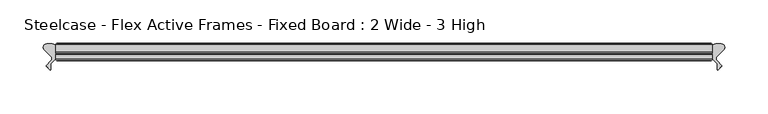
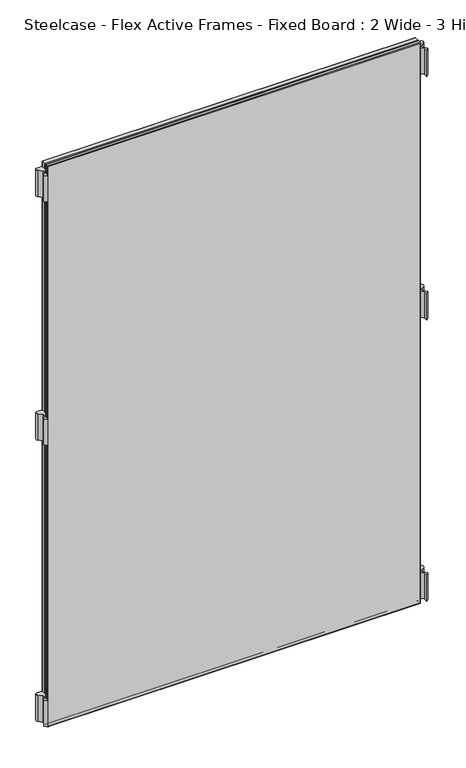
"""IFC4 building model written with IfcOpenShell, lengths in millimetres: furniture geometry, Steelcase - Flex Active Frames - Fixed Board : 2 Wide - 3 High."""

import ifcopenshell
import ifcopenshell.guid

model = None  # the IFC model being written
_history = None  # IfcOwnerHistory: only IFC2X3 demands one
_inside = {}  # id of a spatial element -> (the spatial element, [elements in it])
_under = {}  # id of a project, library or spatial element -> (it, [spatial elements below it])
_declared = {}  # id of a project -> (the project, [libraries it declares])
_typed = {}  # id of a type object -> (the type object, [elements of that type])
_made_of = {}  # id of a material, layer set ... -> (it, [elements and type objects made of it])


def new_model(schema):
    """Start an empty IFC model of exactly this schema.

    Asked for "IFC4X3", IfcOpenShell would pick the latest addendum, in which some entities
    have other attributes; the version numbers below select the first issue.
    IFC2X3 requires an IfcOwnerHistory on every rooted entity: one is made here for all.
    """
    global model, _history
    if schema == "IFC4X3":
        model = ifcopenshell.file(schema_version=(4, 3, 0, 0))
    else:
        model = ifcopenshell.file(schema=schema)
    _inside.clear()
    _under.clear()
    _declared.clear()
    _typed.clear()
    _made_of.clear()
    _history = None
    if model.schema == "IFC2X3":
        org = make("IfcOrganization", Name="unknown")
        user = make(
            "IfcPersonAndOrganization",
            ThePerson=make("IfcPerson", FamilyName="unknown"),
            TheOrganization=org,
        )
        app = make(
            "IfcApplication",
            ApplicationDeveloper=org,
            Version="unknown",
            ApplicationFullName="unknown",
            ApplicationIdentifier="unknown",
        )
        _history = make(
            "IfcOwnerHistory",
            OwningUser=user,
            OwningApplication=app,
            ChangeAction="ADDED",
            CreationDate=0,
        )
    return model


def make(cls, **values):
    """One entity of the class cls with the attributes given. An attribute that is None is left unset."""
    return model.create_entity(
        cls, **{name: value for name, value in values.items() if value is not None}
    )


def rooted(cls, **values):
    """An entity with a GlobalId (a new one), such as an element, a storey or a relation."""
    return make(cls, GlobalId=ifcopenshell.guid.new(), OwnerHistory=_history, **values)


def si_unit(unit_type, name, prefix=None):
    """IfcSIUnit, for example si_unit("LENGTHUNIT", "METRE", prefix="MILLI")."""
    return make("IfcSIUnit", UnitType=unit_type, Prefix=prefix, Name=name)


def assignment(units):
    """IfcUnitAssignment: the units of a project."""
    return None if units is None else make("IfcUnitAssignment", Units=units)


def point(xyz):
    """IfcCartesianPoint."""
    return None if xyz is None else make("IfcCartesianPoint", Coordinates=xyz)


def direction(xyz):
    """IfcDirection."""
    return None if xyz is None else make("IfcDirection", DirectionRatios=xyz)


def frame(location, z_axis=None, x_axis=None):
    """IfcAxis2Placement3D, a coordinate frame: its origin and axes. An axis left out is left unset."""
    return make(
        "IfcAxis2Placement3D",
        Location=point(location),
        Axis=direction(z_axis),
        RefDirection=direction(x_axis),
    )


def frame_2d(location, x_axis=None):
    """IfcAxis2Placement2D, a coordinate frame in the plane: its origin and x axis."""
    return make(
        "IfcAxis2Placement2D", Location=point(location), RefDirection=direction(x_axis)
    )


def origin():
    """The frame at (0, 0, 0) with its axes left unset."""
    return frame((0.0, 0.0, 0.0))


def place(relative_to, where):
    """IfcLocalPlacement: puts the frame where relative to a parent placement (None: the world)."""
    return make(
        "IfcLocalPlacement", PlacementRelTo=relative_to, RelativePlacement=where
    )


def context(
    kind, dimensions, precision=None, world=None, true_north=None, identifier=None
):
    """IfcGeometricRepresentationContext, for example the 3D "Model" context."""
    return make(
        "IfcGeometricRepresentationContext",
        ContextIdentifier=identifier,
        ContextType=kind,
        CoordinateSpaceDimension=dimensions,
        Precision=precision,
        WorldCoordinateSystem=world,
        TrueNorth=true_north,
    )


def project(units=None, contexts=None):
    """IfcProject with its units and contexts."""
    return rooted(
        "IfcProject",
        Name="project",
        RepresentationContexts=contexts,
        UnitsInContext=assignment(units),
    )


def spatial(cls, under=None, at=None, **own):
    """A site, building, storey or space (cls), placed at a placement, below another one or the project."""
    s = rooted(cls, ObjectPlacement=at, **own)
    if under is not None:
        _under.setdefault(under.id(), (under, []))[1].append(s)
    return s


def polyline(points):
    """IfcPolyline through the points."""
    return make("IfcPolyline", Points=[point(p) for p in points])


def circle_curve(where, radius):
    """IfcCircle in the frame where."""
    return make("IfcCircle", Position=where, Radius=radius)


def ellipse_curve(where, semi_axis1, semi_axis2):
    """IfcEllipse in the frame where."""
    return make(
        "IfcEllipse", Position=where, SemiAxis1=semi_axis1, SemiAxis2=semi_axis2
    )


def trimmed(basis, trim1, trim2, sense, master):
    """IfcTrimmedCurve: the piece of a basis curve between two trims."""
    return make(
        "IfcTrimmedCurve",
        BasisCurve=basis,
        Trim1=trim1,
        Trim2=trim2,
        SenseAgreement=sense,
        MasterRepresentation=master,
    )


def segment(curve, same_sense, transition):
    """IfcCompositeCurveSegment."""
    return make(
        "IfcCompositeCurveSegment",
        Transition=transition,
        SameSense=same_sense,
        ParentCurve=curve,
    )


def composite_curve(segments, self_intersect=None):
    """IfcCompositeCurve: segments joined end to end."""
    return make("IfcCompositeCurve", Segments=segments, SelfIntersect=self_intersect)


def outline(outer, holes=None, kind="AREA"):
    """IfcArbitraryClosedProfileDef: a profile drawn as a closed curve; with holes, ...WithVoids."""
    if holes is None:
        return make("IfcArbitraryClosedProfileDef", ProfileType=kind, OuterCurve=outer)
    return make(
        "IfcArbitraryProfileDefWithVoids",
        ProfileType=kind,
        OuterCurve=outer,
        InnerCurves=holes,
    )


def extrude(swept, where, along, depth):
    """IfcExtrudedAreaSolid: the profile swept, set in the frame where, extruded along a direction by depth."""
    return make(
        "IfcExtrudedAreaSolid",
        SweptArea=swept,
        Position=where,
        ExtrudedDirection=direction(along),
        Depth=depth,
    )


def shape(context_of_items, identifier, shape_type, items):
    """IfcShapeRepresentation: the items that make up one representation, for example the "Body"."""
    return make(
        "IfcShapeRepresentation",
        ContextOfItems=context_of_items,
        RepresentationIdentifier=identifier,
        RepresentationType=shape_type,
        Items=items,
    )


def source(mapping_origin, context_of_items, identifier, shape_type, items):
    """IfcRepresentationMap: a shape defined once, which mapped items show again and again."""
    return make(
        "IfcRepresentationMap",
        MappingOrigin=mapping_origin,
        MappedRepresentation=shape(context_of_items, identifier, shape_type, items),
    )


def transform(
    local_origin,
    x_axis=None,
    y_axis=None,
    z_axis=None,
    scale=None,
    scale2=None,
    scale3=None,
    uniform=True,
):
    """IfcCartesianTransformationOperator3D, or its non-uniform kind. x_axis, y_axis, z_axis: its Axis1, 2, 3."""
    if uniform:
        return make(
            "IfcCartesianTransformationOperator3D",
            Axis1=direction(x_axis),
            Axis2=direction(y_axis),
            LocalOrigin=point(local_origin),
            Scale=scale,
            Axis3=direction(z_axis),
        )
    return make(
        "IfcCartesianTransformationOperator3DnonUniform",
        Axis1=direction(x_axis),
        Axis2=direction(y_axis),
        LocalOrigin=point(local_origin),
        Scale=scale,
        Axis3=direction(z_axis),
        Scale2=scale2,
        Scale3=scale3,
    )


def mapped(mapping_source, mapping_target):
    """IfcMappedItem: shows the shape of a source again, moved by a transform."""
    return make(
        "IfcMappedItem", MappingSource=mapping_source, MappingTarget=mapping_target
    )


def made_of(thing, what):
    """Note that an element or type object is made of a material, layer set ...; save() writes the relation."""
    if what is not None:
        _made_of.setdefault(what.id(), (what, []))[1].append(thing)
    return thing


def element(
    cls,
    number,
    at=None,
    inside=None,
    cuts=None,
    type_object=None,
    material=None,
    context=None,
    identifier="Body",
    shape_type=None,
    held_by="IfcProductDefinitionShape",
    body=None,
    shapes=None,
    **own,
):
    """One element of the class cls, such as IfcWall. Its Tag is "e" and its number.

    at: its placement. inside: the storey or other place that contains it. cuts: it is an
    opening in that element (IfcRelVoidsElement). A single representation is given by context,
    identifier, shape_type and body (its items); several are given by shapes. held_by: the class
    of the entity that holds the representations. save() writes the other relations.
    """
    e = rooted(cls, Tag="e%d" % number, ObjectPlacement=at, **own)
    if body is not None:
        shapes = [shape(context, identifier, shape_type, body)]
    if shapes is not None:
        e.Representation = make(held_by, Representations=shapes)
    if inside is not None:
        _inside.setdefault(inside.id(), (inside, []))[1].append(e)
    if cuts is not None:
        rooted(
            "IfcRelVoidsElement", RelatingBuildingElement=cuts, RelatedOpeningElement=e
        )
    if type_object is not None:
        _typed.setdefault(type_object.id(), (type_object, []))[1].append(e)
    return made_of(e, material)


def aggregate(whole, parts):
    """IfcRelAggregates: a whole, such as a stair, and the parts it consists of."""
    return rooted("IfcRelAggregates", RelatingObject=whole, RelatedObjects=parts)


def save(model, path):
    """Write the relations noted so far, then the file.

    IfcRelAggregates (storeys below a building ...), IfcRelContainedInSpatialStructure (elements
    in a storey), IfcRelDefinesByType, IfcRelAssociatesMaterial and IfcRelDeclares: one each for
    every whole, place, type object, material and project.
    """
    for whole, parts in _under.values():
        aggregate(whole, parts)
    for where, things in _inside.values():
        rooted(
            "IfcRelContainedInSpatialStructure",
            RelatedElements=things,
            RelatingStructure=where,
        )
    for kind, things in _typed.values():
        rooted("IfcRelDefinesByType", RelatedObjects=things, RelatingType=kind)
    for what, things in _made_of.values():
        rooted("IfcRelAssociatesMaterial", RelatedObjects=things, RelatingMaterial=what)
    for by, libraries in _declared.values():
        rooted("IfcRelDeclares", RelatingContext=by, RelatedDefinitions=libraries)
    model.write(path)


def plane_surface(at):
    """IfcPlane: the flat surface through the origin of the frame at, square to its z axis."""
    return make("IfcPlane", Position=at)


def cylinder_surface(at, radius):
    """IfcCylindricalSurface: all points at the distance radius from the z axis of the frame at."""
    return make("IfcCylindricalSurface", Position=at, Radius=radius)


def advanced_brep(points, edges, surfaces, faces):
    """IfcAdvancedBrep: a solid bounded by faces that lie on surfaces and meet in shared edges.

    An edge is (start, end): straight between two places in points (the first is 0);
    or (start, end, curve); or (start, end, curve, False) where it runs against its curve.
    A face is (place in surfaces, loops), or (place, loops, False) where it looks against
    its surface's normal. A loop lists edges by number (the first is 1), with a minus sign
    where the edge is run from its end to its start. The first loop is the outer one.
    """
    corners = [point(p) for p in points]
    vertices = [make("IfcVertexPoint", VertexGeometry=c) for c in corners]
    made = []
    for start, end, *more in edges:
        made.append(
            make(
                "IfcEdgeCurve",
                EdgeStart=vertices[start],
                EdgeEnd=vertices[end],
                EdgeGeometry=more[0] if more else make("IfcPolyline", Points=[corners[start], corners[end]]),
                SameSense=more[1] if len(more) > 1 else True,
            )
        )
    hull = []
    for where, loops, *sense in faces:
        bounds = []
        for j, loop in enumerate(loops):
            ring = [make("IfcOrientedEdge", EdgeElement=made[abs(k) - 1], Orientation=k > 0) for k in loop]
            bounds.append(
                make(
                    "IfcFaceOuterBound" if j == 0 else "IfcFaceBound",
                    Bound=make("IfcEdgeLoop", EdgeList=ring),
                    Orientation=True,
                )
            )
        hull.append(make("IfcAdvancedFace", Bounds=bounds, FaceSurface=surfaces[where], SameSense=sense[0] if sense else True))
    return make("IfcAdvancedBrep", Outer=make("IfcClosedShell", CfsFaces=hull))


def steelcase_flex_active_frames_fixed_board_2_wide_3_high_71eaa290(model_context):
    return source(origin(), model_context, "Body", "SolidModel", [
        extrude(outline(composite_curve([segment(polyline([(768.9118703, 12.5554375), (761.3755914, 5.0296817)]), True, "CONTINUOUS"), segment(trimmed(circle_curve(frame_2d((764.0677853, 2.3337233)), 3.81), [point((761.3755914, 5.0296817))], [point((761.3290632, -0.3149559))], True, "CARTESIAN"), True, "CONTINUOUS"), segment(polyline([(761.3290632, -0.3149559), (767.0660919, -6.2470172), (762.1123238, -11.2027231), (761.4063592, -10.299411), (761.4063592, -3.4250486), (755.904, 2.0686095), (755.904, 15.2513873)]), True, "CONTINUOUS"), segment(trimmed(circle_curve(frame_2d((759.714, 15.2513873)), 3.81), [point((755.904, 15.2513873))], [point((759.713995, 19.0613873))], False, "CARTESIAN"), True, "CONTINUOUS"), segment(polyline([(759.713995, 19.0613873), (766.2196713, 19.0613959)]), True, "CONTINUOUS"), segment(trimmed(circle_curve(frame_2d((766.2196763, 15.2513959)), 3.81), [point((766.2196713, 19.0613959))], [point((768.9118703, 12.5554375))], False, "CARTESIAN"), True, "CONTINUOUS")], self_intersect=False)), frame((0.0, 0.0, 611.4997871), z_axis=(0.0, 0.0, 1.0), x_axis=(1.0, 0.0, 0.0)), (0.0, 0.0, 1.0), 55.9983261),
        extrude(outline(composite_curve([segment(polyline([(768.9118703, 12.5554375), (761.3755914, 5.0296817)]), True, "CONTINUOUS"), segment(trimmed(circle_curve(frame_2d((764.0677853, 2.3337233)), 3.81), [point((761.3755914, 5.0296817))], [point((761.3290632, -0.3149559))], True, "CARTESIAN"), True, "CONTINUOUS"), segment(polyline([(761.3290632, -0.3149559), (767.0660919, -6.2470172), (762.1123238, -11.2027231), (761.4063592, -10.299411), (761.4063592, -3.4250486), (755.904, 2.0686095), (755.904, 15.2513873)]), True, "CONTINUOUS"), segment(trimmed(circle_curve(frame_2d((759.714, 15.2513873)), 3.81), [point((755.904, 15.2513873))], [point((759.713995, 19.0613873))], False, "CARTESIAN"), True, "CONTINUOUS"), segment(polyline([(759.713995, 19.0613873), (766.2196713, 19.0613959)]), True, "CONTINUOUS"), segment(trimmed(circle_curve(frame_2d((766.2196763, 15.2513959)), 3.81), [point((766.2196713, 19.0613959))], [point((768.9118703, 12.5554375))], False, "CARTESIAN"), True, "CONTINUOUS")], self_intersect=False)), frame((0.0, 0.0, 9.5000015), z_axis=(0.0, 0.0, 1.0), x_axis=(1.0, 0.0, 0.0)), (0.0, 0.0, 1.0), 55.9983261),
        extrude(outline(composite_curve([segment(polyline([(768.9118703, 12.5554375), (761.3755914, 5.0296817)]), True, "CONTINUOUS"), segment(trimmed(circle_curve(frame_2d((764.0677853, 2.3337233)), 3.81), [point((761.3755914, 5.0296817))], [point((761.3290632, -0.3149559))], True, "CARTESIAN"), True, "CONTINUOUS"), segment(polyline([(761.3290632, -0.3149559), (767.0660919, -6.2470172), (762.1123238, -11.2027231), (761.4063592, -10.299411), (761.4063592, -3.4250486), (755.904, 2.0686095), (755.904, 15.2513873)]), True, "CONTINUOUS"), segment(trimmed(circle_curve(frame_2d((759.714, 15.2513873)), 3.81), [point((755.904, 15.2513873))], [point((759.713995, 19.0613873))], False, "CARTESIAN"), True, "CONTINUOUS"), segment(polyline([(759.713995, 19.0613873), (766.2196713, 19.0613959)]), True, "CONTINUOUS"), segment(trimmed(circle_curve(frame_2d((766.2196763, 15.2513959)), 3.81), [point((766.2196713, 19.0613959))], [point((768.9118703, 12.5554375))], False, "CARTESIAN"), True, "CONTINUOUS")], self_intersect=False)), frame((0.0, 0.0, 1132.5016098), z_axis=(0.0, 0.0, 1.0), x_axis=(1.0, 0.0, 0.0)), (0.0, 0.0, 1.0), 55.9983261),
        extrude(outline(composite_curve([segment(trimmed(circle_curve(frame_2d((-10.3156763, 15.2513959)), 3.81), [point((-13.0078703, 12.5554375))], [point((-10.3156713, 19.0613959))], False, "CARTESIAN"), True, "CONTINUOUS"), segment(polyline([(-10.3156713, 19.0613959), (-3.809995, 19.0613873)]), True, "CONTINUOUS"), segment(trimmed(circle_curve(frame_2d((-3.81, 15.2513873)), 3.81), [point((-3.809995, 19.0613873))], [point((0.0, 15.2513873))], False, "CARTESIAN"), True, "CONTINUOUS"), segment(polyline([(0.0, 15.2513873), (0.0, 2.0686095), (-5.5023592, -3.4250486), (-5.5023592, -10.299411), (-6.2083238, -11.2027231), (-11.1620919, -6.2470172), (-5.4250632, -0.3149559)]), True, "CONTINUOUS"), segment(trimmed(circle_curve(frame_2d((-8.1637853, 2.3337233)), 3.81), [point((-5.4250632, -0.3149559))], [point((-5.4715914, 5.0296817))], True, "CARTESIAN"), True, "CONTINUOUS"), segment(polyline([(-5.4715914, 5.0296817), (-13.0078703, 12.5554375)]), True, "CONTINUOUS")], self_intersect=False)), frame((0.0, 0.0, 611.4997871), z_axis=(0.0, 0.0, 1.0), x_axis=(1.0, 0.0, 0.0)), (0.0, 0.0, 1.0), 55.9983261),
        extrude(outline(composite_curve([segment(trimmed(circle_curve(frame_2d((-10.3156763, 15.2513959)), 3.81), [point((-13.0078703, 12.5554375))], [point((-10.3156713, 19.0613959))], False, "CARTESIAN"), True, "CONTINUOUS"), segment(polyline([(-10.3156713, 19.0613959), (-3.809995, 19.0613873)]), True, "CONTINUOUS"), segment(trimmed(circle_curve(frame_2d((-3.81, 15.2513873)), 3.81), [point((-3.809995, 19.0613873))], [point((0.0, 15.2513873))], False, "CARTESIAN"), True, "CONTINUOUS"), segment(polyline([(0.0, 15.2513873), (0.0, 2.0686095), (-5.5023592, -3.4250486), (-5.5023592, -10.299411), (-6.2083238, -11.2027231), (-11.1620919, -6.2470172), (-5.4250632, -0.3149559)]), True, "CONTINUOUS"), segment(trimmed(circle_curve(frame_2d((-8.1637853, 2.3337233)), 3.81), [point((-5.4250632, -0.3149559))], [point((-5.4715914, 5.0296817))], True, "CARTESIAN"), True, "CONTINUOUS"), segment(polyline([(-5.4715914, 5.0296817), (-13.0078703, 12.5554375)]), True, "CONTINUOUS")], self_intersect=False)), frame((0.0, 0.0, 9.5000015), z_axis=(0.0, 0.0, 1.0), x_axis=(1.0, 0.0, 0.0)), (0.0, 0.0, 1.0), 55.9983261),
        extrude(outline(composite_curve([segment(trimmed(circle_curve(frame_2d((-10.3156763, 15.2513959)), 3.81), [point((-13.0078703, 12.5554375))], [point((-10.3156713, 19.0613959))], False, "CARTESIAN"), True, "CONTINUOUS"), segment(polyline([(-10.3156713, 19.0613959), (-3.809995, 19.0613873)]), True, "CONTINUOUS"), segment(trimmed(circle_curve(frame_2d((-3.81, 15.2513873)), 3.81), [point((-3.809995, 19.0613873))], [point((0.0, 15.2513873))], False, "CARTESIAN"), True, "CONTINUOUS"), segment(polyline([(0.0, 15.2513873), (0.0, 2.0686095), (-5.5023592, -3.4250486), (-5.5023592, -10.299411), (-6.2083238, -11.2027231), (-11.1620919, -6.2470172), (-5.4250632, -0.3149559)]), True, "CONTINUOUS"), segment(trimmed(circle_curve(frame_2d((-8.1637853, 2.3337233)), 3.81), [point((-5.4250632, -0.3149559))], [point((-5.4715914, 5.0296817))], True, "CARTESIAN"), True, "CONTINUOUS"), segment(polyline([(-5.4715914, 5.0296817), (-13.0078703, 12.5554375)]), True, "CONTINUOUS")], self_intersect=False)), frame((0.0, 0.0, 1132.5016098), z_axis=(0.0, 0.0, 1.0), x_axis=(1.0, 0.0, 0.0)), (0.0, 0.0, 1.0), 55.9983261),
        extrude(outline(polyline([(754.4039947, 19.7016999), (754.4039947, 8.0000171), (1.5000053, 8.0000171), (1.5000053, 19.7016999), (754.4039947, 19.7016999)])), frame((0.0, 0.0, 1.5000053), z_axis=(0.0, 0.0, 1.0), x_axis=(1.0, 0.0, 0.0)), (0.0, 0.0, 1.0), 1196.9999985),
        advanced_brep(
        [(0.0, 9.5000224, 1200.0000092), (0.0, 9.5000224, 0.0), (1.5000053, 8.0000171, 1.5000053), (1.5000053, 8.0000171, 1198.5000038), (0.0, 18.2016946, 1200.0000092), (0.0, 18.2016946, 0.0), (1.5000053, 19.7016999, 1.5000053), (1.5000053, 19.7016999, 1198.5000038), (755.904, 9.5000224, 0.0), (754.4039947, 8.0000171, 1.5000053), (755.904, 18.2016946, 0.0), (754.4039947, 19.7016999, 1.5000053), (755.904, 9.5000224, 1200.0000092), (754.4039947, 8.0000171, 1198.5000038), (755.904, 18.2016946, 1200.0000092), (754.4039947, 19.7016999, 1198.5000038)],
        [
            (0, 1),
            (1, 2, ellipse_curve(frame((1.5000053, 9.5000224, 1.5000053), z_axis=(-0.7071067811865475, 0.0, 0.7071067811865475), x_axis=(0.7071067811865474, 0.0, 0.7071067811865476)), 2.1213279, 1.5000053)),
            (2, 3),
            (3, 0, ellipse_curve(frame((1.5000053, 9.5000224, 1198.5000038), z_axis=(-0.7071067811865475, 0.0, -0.7071067811865475), x_axis=(-0.7071067811865474, 0.0, 0.7071067811865476)), 2.1213279, 1.5000053)),
            (4, 5),
            (5, 1),
            (0, 4),
            (2, 6),
            (6, 7),
            (7, 3),
            (1, 8),
            (8, 9, ellipse_curve(frame((754.4039947, 9.5000224, 1.5000053), z_axis=(-0.7071067811865475, 0.0, -0.7071067811865475), x_axis=(-0.7071067811865476, 0.0, 0.7071067811865474)), 2.1213279, 1.5000053)),
            (9, 2),
            (5, 10),
            (10, 8),
            (9, 11),
            (11, 6),
            (8, 12),
            (12, 13, ellipse_curve(frame((754.4039947, 9.5000224, 1198.5000038), z_axis=(0.7071067811865475, 0.0, -0.7071067811865475), x_axis=(-0.7071067811865474, 0.0, -0.7071067811865476)), 2.1213279, 1.5000053)),
            (13, 9),
            (10, 14),
            (14, 12),
            (13, 15),
            (15, 11),
            (12, 0),
            (3, 13),
            (14, 4),
            (7, 15),
            (6, 5, ellipse_curve(frame((1.5000053, 18.2016946, 1.5000053), z_axis=(-0.7071067811865475, 0.0, 0.7071067811865475), x_axis=(0.7071067811865474, 0.0, 0.7071067811865476)), 2.1213279, 1.5000053)),
            (4, 7, ellipse_curve(frame((1.5000053, 18.2016946, 1198.5000038), z_axis=(-0.7071067811865475, 0.0, -0.7071067811865475), x_axis=(-0.7071067811865474, 0.0, 0.7071067811865476)), 2.1213279, 1.5000053)),
            (11, 10, ellipse_curve(frame((754.4039947, 18.2016946, 1.5000053), z_axis=(-0.7071067811865475, 0.0, -0.7071067811865475), x_axis=(-0.7071067811865476, 0.0, 0.7071067811865474)), 2.1213279, 1.5000053)),
            (15, 14, ellipse_curve(frame((754.4039947, 18.2016946, 1198.5000038), z_axis=(0.7071067811865475, 0.0, -0.7071067811865475), x_axis=(-0.7071067811865474, 0.0, -0.7071067811865476)), 2.1213279, 1.5000053)),
        ],
        [
            cylinder_surface(frame((1.5000053, 9.5000224, 1200.0000092), z_axis=(0.0, 0.0, 1.0), x_axis=(1.0, 0.0, 0.0)), 1.5000053),
            plane_surface(frame((0.0, 9.5000224, 1200.0000092), z_axis=(-1.0, 0.0, 0.0), x_axis=(0.0, 0.0, -1.0))),
            plane_surface(frame((1.5000053, 19.7016999, 1198.5000038), z_axis=(1.0, 0.0, 0.0), x_axis=(0.0, 0.0, -1.0))),
            cylinder_surface(frame((0.0, 9.5000224, 1.5000053), z_axis=(-1.0, 0.0, 0.0), x_axis=(0.0, 0.0, 1.0)), 1.5000053),
            plane_surface(frame((0.0, 9.5000224, 0.0), z_axis=(0.0, 0.0, -1.0), x_axis=(1.0, 0.0, 0.0))),
            plane_surface(frame((1.5000053, 19.7016999, 1.5000053), z_axis=(0.0, 0.0, 1.0), x_axis=(1.0, 0.0, 0.0))),
            cylinder_surface(frame((754.4039947, 9.5000224, 0.0), z_axis=(0.0, 0.0, -1.0), x_axis=(-1.0, 0.0, 0.0)), 1.5000053),
            plane_surface(frame((755.904, 9.5000224, 0.0), z_axis=(1.0, 0.0, 0.0), x_axis=(0.0, 0.0, 1.0))),
            plane_surface(frame((754.4039947, 19.7016999, 1.5000053), z_axis=(-1.0, 0.0, 0.0), x_axis=(0.0, 0.0, 1.0))),
            cylinder_surface(frame((755.904, 9.5000224, 1198.5000038), z_axis=(1.0, 0.0, 0.0), x_axis=(0.0, 0.0, -1.0)), 1.5000053),
            plane_surface(frame((755.904, 9.5000224, 1200.0000092), z_axis=(0.0, 0.0, 1.0), x_axis=(-1.0, 0.0, 0.0))),
            plane_surface(frame((754.4039947, 19.7016999, 1198.5000038), z_axis=(0.0, 0.0, -1.0), x_axis=(-1.0, 0.0, 0.0))),
            cylinder_surface(frame((1.5000053, 18.2016946, 1200.0000092), z_axis=(0.0, 0.0, 1.0), x_axis=(1.0, 0.0, 0.0)), 1.5000053),
            cylinder_surface(frame((0.0, 18.2016946, 1.5000053), z_axis=(-1.0, 0.0, 0.0), x_axis=(0.0, 0.0, 1.0)), 1.5000053),
            cylinder_surface(frame((754.4039947, 18.2016946, 0.0), z_axis=(0.0, 0.0, -1.0), x_axis=(-1.0, 0.0, 0.0)), 1.5000053),
            cylinder_surface(frame((755.904, 18.2016946, 1198.5000038), z_axis=(1.0, 0.0, 0.0), x_axis=(0.0, 0.0, -1.0)), 1.5000053),
        ],
        [
            (0, [[1, 2, 3, 4]]),
            (1, [[5, 6, -1, 7]]),
            (2, [[-3, 8, 9, 10]]),
            (3, [[11, 12, 13, -2]]),
            (4, [[14, 15, -11, -6]]),
            (5, [[-13, 16, 17, -8]]),
            (6, [[18, 19, 20, -12]]),
            (7, [[21, 22, -18, -15]]),
            (8, [[-20, 23, 24, -16]]),
            (9, [[25, -4, 26, -19]]),
            (10, [[27, -7, -25, -22]]),
            (11, [[-26, -10, 28, -23]]),
            (12, [[-9, 29, -5, 30]]),
            (13, [[-17, 31, -14, -29]]),
            (14, [[-24, 32, -21, -31]]),
            (15, [[-28, -30, -27, -32]]),
        ],
    ),
        extrude(outline(polyline([(754.4039947, 8.0000171), (754.4039947, 0.0), (1.5000053, 0.0), (1.5000053, 8.0000171), (754.4039947, 8.0000171)])), frame((0.0, 0.0, 1.5000053), z_axis=(0.0, 0.0, 1.0), x_axis=(1.0, 0.0, 0.0)), (0.0, 0.0, 1.0), 1196.9999985),
        advanced_brep(
        [(0.0, 1.5000053, 1200.0000092), (0.0, 1.5000053, 0.0), (1.5000053, 0.0, 1.5000053), (1.5000053, 0.0, 1198.5000038), (0.0, 6.5000117, 1200.0000092), (0.0, 6.5000117, 0.0), (1.5000053, 8.0000171, 1198.5000038), (1.5000053, 8.0000171, 1.5000053), (755.904, 1.5000053, 0.0), (754.4039947, 0.0, 1.5000053), (755.904, 6.5000117, 0.0), (754.4039947, 8.0000171, 1.5000053), (755.904, 1.5000053, 1200.0000092), (754.4039947, 0.0, 1198.5000038), (755.904, 6.5000117, 1200.0000092), (754.4039947, 8.0000171, 1198.5000038)],
        [
            (0, 1),
            (1, 2, ellipse_curve(frame((1.5000053, 1.5000053, 1.5000053), z_axis=(-0.7071067811865475, 0.0, 0.7071067811865475), x_axis=(0.7071067811865474, 0.0, 0.7071067811865476)), 2.1213279, 1.5000053)),
            (2, 3),
            (3, 0, ellipse_curve(frame((1.5000053, 1.5000053, 1198.5000038), z_axis=(-0.7071067811865475, 0.0, -0.7071067811865475), x_axis=(-0.7071067811865474, 0.0, 0.7071067811865476)), 2.1213279, 1.5000053)),
            (4, 5),
            (5, 1),
            (0, 4),
            (6, 7),
            (7, 5, ellipse_curve(frame((1.5000053, 6.5000117, 1.5000053), z_axis=(-0.7071067811865475, 0.0, 0.7071067811865475), x_axis=(0.7071067811865474, 0.0, 0.7071067811865476)), 2.1213279, 1.5000053)),
            (4, 6, ellipse_curve(frame((1.5000053, 6.5000117, 1198.5000038), z_axis=(-0.7071067811865475, 0.0, -0.7071067811865475), x_axis=(-0.7071067811865474, 0.0, 0.7071067811865476)), 2.1213279, 1.5000053)),
            (2, 7),
            (6, 3),
            (1, 8),
            (8, 9, ellipse_curve(frame((754.4039947, 1.5000053, 1.5000053), z_axis=(-0.7071067811865475, 0.0, -0.7071067811865475), x_axis=(-0.7071067811865476, 0.0, 0.7071067811865474)), 2.1213279, 1.5000053)),
            (9, 2),
            (5, 10),
            (10, 8),
            (7, 11),
            (11, 10, ellipse_curve(frame((754.4039947, 6.5000117, 1.5000053), z_axis=(-0.7071067811865475, 0.0, -0.7071067811865475), x_axis=(-0.7071067811865476, 0.0, 0.7071067811865474)), 2.1213279, 1.5000053)),
            (9, 11),
            (8, 12),
            (12, 13, ellipse_curve(frame((754.4039947, 1.5000053, 1198.5000038), z_axis=(0.7071067811865475, 0.0, -0.7071067811865475), x_axis=(-0.7071067811865474, 0.0, -0.7071067811865476)), 2.1213279, 1.5000053)),
            (13, 9),
            (10, 14),
            (14, 12),
            (11, 15),
            (15, 14, ellipse_curve(frame((754.4039947, 6.5000117, 1198.5000038), z_axis=(0.7071067811865475, 0.0, -0.7071067811865475), x_axis=(-0.7071067811865474, 0.0, -0.7071067811865476)), 2.1213279, 1.5000053)),
            (13, 15),
            (12, 0),
            (3, 13),
            (14, 4),
            (15, 6),
        ],
        [
            cylinder_surface(frame((1.5000053, 1.5000053, 1200.0000092), z_axis=(0.0, 0.0, 1.0), x_axis=(1.0, 0.0, 0.0)), 1.5000053),
            plane_surface(frame((0.0, 1.5000053, 1200.0000092), z_axis=(-1.0, 0.0, 0.0), x_axis=(0.0, 0.0, -1.0))),
            cylinder_surface(frame((1.5000053, 6.5000117, 1200.0000092), z_axis=(0.0, 0.0, 1.0), x_axis=(1.0, 0.0, 0.0)), 1.5000053),
            plane_surface(frame((1.5000053, 8.0000171, 1198.5000038), z_axis=(1.0, 0.0, 0.0), x_axis=(0.0, 0.0, -1.0))),
            cylinder_surface(frame((0.0, 1.5000053, 1.5000053), z_axis=(-1.0, 0.0, 0.0), x_axis=(0.0, 0.0, 1.0)), 1.5000053),
            plane_surface(frame((0.0, 1.5000053, 0.0), z_axis=(0.0, 0.0, -1.0), x_axis=(1.0, 0.0, 0.0))),
            cylinder_surface(frame((0.0, 6.5000117, 1.5000053), z_axis=(-1.0, 0.0, 0.0), x_axis=(0.0, 0.0, 1.0)), 1.5000053),
            plane_surface(frame((1.5000053, 8.0000171, 1.5000053), z_axis=(0.0, 0.0, 1.0), x_axis=(1.0, 0.0, 0.0))),
            cylinder_surface(frame((754.4039947, 1.5000053, 0.0), z_axis=(0.0, 0.0, -1.0), x_axis=(-1.0, 0.0, 0.0)), 1.5000053),
            plane_surface(frame((755.904, 1.5000053, 0.0), z_axis=(1.0, 0.0, 0.0), x_axis=(0.0, 0.0, 1.0))),
            cylinder_surface(frame((754.4039947, 6.5000117, 0.0), z_axis=(0.0, 0.0, -1.0), x_axis=(-1.0, 0.0, 0.0)), 1.5000053),
            plane_surface(frame((754.4039947, 8.0000171, 1.5000053), z_axis=(-1.0, 0.0, 0.0), x_axis=(0.0, 0.0, 1.0))),
            cylinder_surface(frame((755.904, 1.5000053, 1198.5000038), z_axis=(1.0, 0.0, 0.0), x_axis=(0.0, 0.0, -1.0)), 1.5000053),
            plane_surface(frame((755.904, 1.5000053, 1200.0000092), z_axis=(0.0, 0.0, 1.0), x_axis=(-1.0, 0.0, 0.0))),
            cylinder_surface(frame((755.904, 6.5000117, 1198.5000038), z_axis=(1.0, 0.0, 0.0), x_axis=(0.0, 0.0, -1.0)), 1.5000053),
            plane_surface(frame((754.4039947, 8.0000171, 1198.5000038), z_axis=(0.0, 0.0, -1.0), x_axis=(-1.0, 0.0, 0.0))),
        ],
        [
            (0, [[1, 2, 3, 4]]),
            (1, [[5, 6, -1, 7]]),
            (2, [[8, 9, -5, 10]]),
            (3, [[-3, 11, -8, 12]]),
            (4, [[13, 14, 15, -2]]),
            (5, [[16, 17, -13, -6]]),
            (6, [[18, 19, -16, -9]]),
            (7, [[-15, 20, -18, -11]]),
            (8, [[21, 22, 23, -14]]),
            (9, [[24, 25, -21, -17]]),
            (10, [[26, 27, -24, -19]]),
            (11, [[-23, 28, -26, -20]]),
            (12, [[29, -4, 30, -22]]),
            (13, [[31, -7, -29, -25]]),
            (14, [[32, -10, -31, -27]]),
            (15, [[-30, -12, -32, -28]]),
        ],
    ),
    ])


if __name__ == "__main__":
    model = new_model("IFC4")
    model_context = context("Model", 3, world=origin())
    ifc_project = project(units=[si_unit("LENGTHUNIT", "METRE", prefix="MILLI")], contexts=[model_context])
    site = spatial("IfcSite", under=ifc_project)
    building = spatial("IfcBuilding", under=site)
    placement = place(None, origin())
    steelcase_flex_active_frames_fixed_board_2_wide_3_high_shape = steelcase_flex_active_frames_fixed_board_2_wide_3_high_71eaa290(model_context)
    element("IfcFurniture", 1, ObjectType="Steelcase - Flex Active Frames - Fixed Board : 2 Wide - 3 High", at=placement, inside=building, context=model_context, shape_type="MappedRepresentation", body=[
        mapped(steelcase_flex_active_frames_fixed_board_2_wide_3_high_shape, transform((0.0, 0.0, 0.0), x_axis=(1.0, 0.0, 0.0), y_axis=(0.0, 1.0, 0.0), z_axis=(0.0, 0.0, 1.0))),
    ])
    save(model, "model.ifc")
